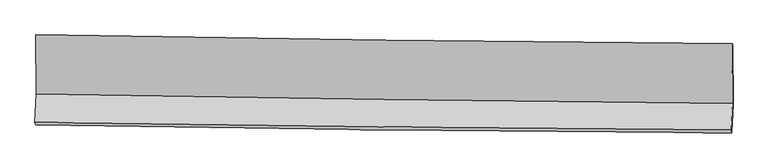
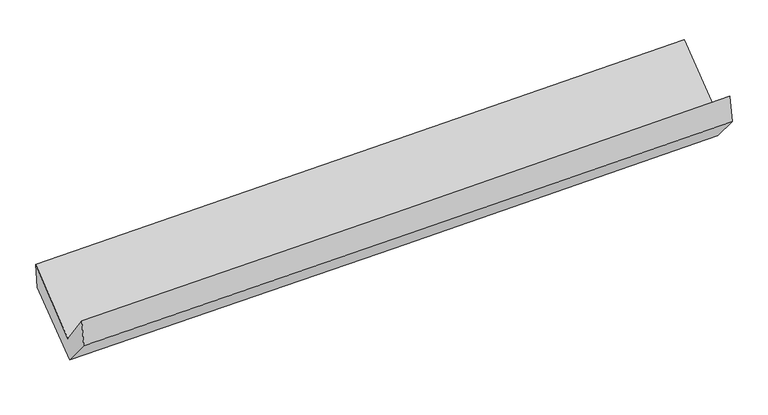
"""IFC4 building model written with IfcOpenShell, lengths in millimetres: proxy geometry."""

import ifcopenshell
import ifcopenshell.guid

model = None  # the IFC model being written
_history = None  # IfcOwnerHistory: only IFC2X3 demands one
_inside = {}  # id of a spatial element -> (the spatial element, [elements in it])
_under = {}  # id of a project, library or spatial element -> (it, [spatial elements below it])
_declared = {}  # id of a project -> (the project, [libraries it declares])
_typed = {}  # id of a type object -> (the type object, [elements of that type])
_made_of = {}  # id of a material, layer set ... -> (it, [elements and type objects made of it])


def new_model(schema):
    """Start an empty IFC model of exactly this schema.

    Asked for "IFC4X3", IfcOpenShell would pick the latest addendum, in which some entities
    have other attributes; the version numbers below select the first issue.
    IFC2X3 requires an IfcOwnerHistory on every rooted entity: one is made here for all.
    """
    global model, _history
    if schema == "IFC4X3":
        model = ifcopenshell.file(schema_version=(4, 3, 0, 0))
    else:
        model = ifcopenshell.file(schema=schema)
    _inside.clear()
    _under.clear()
    _declared.clear()
    _typed.clear()
    _made_of.clear()
    _history = None
    if model.schema == "IFC2X3":
        org = make("IfcOrganization", Name="unknown")
        user = make(
            "IfcPersonAndOrganization",
            ThePerson=make("IfcPerson", FamilyName="unknown"),
            TheOrganization=org,
        )
        app = make(
            "IfcApplication",
            ApplicationDeveloper=org,
            Version="unknown",
            ApplicationFullName="unknown",
            ApplicationIdentifier="unknown",
        )
        _history = make(
            "IfcOwnerHistory",
            OwningUser=user,
            OwningApplication=app,
            ChangeAction="ADDED",
            CreationDate=0,
        )
    return model


def make(cls, **values):
    """One entity of the class cls with the attributes given. An attribute that is None is left unset."""
    return model.create_entity(
        cls, **{name: value for name, value in values.items() if value is not None}
    )


def rooted(cls, **values):
    """An entity with a GlobalId (a new one), such as an element, a storey or a relation."""
    return make(cls, GlobalId=ifcopenshell.guid.new(), OwnerHistory=_history, **values)


def si_unit(unit_type, name, prefix=None):
    """IfcSIUnit, for example si_unit("LENGTHUNIT", "METRE", prefix="MILLI")."""
    return make("IfcSIUnit", UnitType=unit_type, Prefix=prefix, Name=name)


def assignment(units):
    """IfcUnitAssignment: the units of a project."""
    return None if units is None else make("IfcUnitAssignment", Units=units)


def point(xyz):
    """IfcCartesianPoint."""
    return None if xyz is None else make("IfcCartesianPoint", Coordinates=xyz)


def direction(xyz):
    """IfcDirection."""
    return None if xyz is None else make("IfcDirection", DirectionRatios=xyz)


def frame(location, z_axis=None, x_axis=None):
    """IfcAxis2Placement3D, a coordinate frame: its origin and axes. An axis left out is left unset."""
    return make(
        "IfcAxis2Placement3D",
        Location=point(location),
        Axis=direction(z_axis),
        RefDirection=direction(x_axis),
    )


def origin():
    """The frame at (0, 0, 0) with its axes left unset."""
    return frame((0.0, 0.0, 0.0))


def place(relative_to, where):
    """IfcLocalPlacement: puts the frame where relative to a parent placement (None: the world)."""
    return make(
        "IfcLocalPlacement", PlacementRelTo=relative_to, RelativePlacement=where
    )


def context(
    kind, dimensions, precision=None, world=None, true_north=None, identifier=None
):
    """IfcGeometricRepresentationContext, for example the 3D "Model" context."""
    return make(
        "IfcGeometricRepresentationContext",
        ContextIdentifier=identifier,
        ContextType=kind,
        CoordinateSpaceDimension=dimensions,
        Precision=precision,
        WorldCoordinateSystem=world,
        TrueNorth=true_north,
    )


def project(units=None, contexts=None):
    """IfcProject with its units and contexts."""
    return rooted(
        "IfcProject",
        Name="project",
        RepresentationContexts=contexts,
        UnitsInContext=assignment(units),
    )


def spatial(cls, under=None, at=None, **own):
    """A site, building, storey or space (cls), placed at a placement, below another one or the project."""
    s = rooted(cls, ObjectPlacement=at, **own)
    if under is not None:
        _under.setdefault(under.id(), (under, []))[1].append(s)
    return s


def shape(context_of_items, identifier, shape_type, items):
    """IfcShapeRepresentation: the items that make up one representation, for example the "Body"."""
    return make(
        "IfcShapeRepresentation",
        ContextOfItems=context_of_items,
        RepresentationIdentifier=identifier,
        RepresentationType=shape_type,
        Items=items,
    )


def source(mapping_origin, context_of_items, identifier, shape_type, items):
    """IfcRepresentationMap: a shape defined once, which mapped items show again and again."""
    return make(
        "IfcRepresentationMap",
        MappingOrigin=mapping_origin,
        MappedRepresentation=shape(context_of_items, identifier, shape_type, items),
    )


def transform(
    local_origin,
    x_axis=None,
    y_axis=None,
    z_axis=None,
    scale=None,
    scale2=None,
    scale3=None,
    uniform=True,
):
    """IfcCartesianTransformationOperator3D, or its non-uniform kind. x_axis, y_axis, z_axis: its Axis1, 2, 3."""
    if uniform:
        return make(
            "IfcCartesianTransformationOperator3D",
            Axis1=direction(x_axis),
            Axis2=direction(y_axis),
            LocalOrigin=point(local_origin),
            Scale=scale,
            Axis3=direction(z_axis),
        )
    return make(
        "IfcCartesianTransformationOperator3DnonUniform",
        Axis1=direction(x_axis),
        Axis2=direction(y_axis),
        LocalOrigin=point(local_origin),
        Scale=scale,
        Axis3=direction(z_axis),
        Scale2=scale2,
        Scale3=scale3,
    )


def mapped(mapping_source, mapping_target):
    """IfcMappedItem: shows the shape of a source again, moved by a transform."""
    return make(
        "IfcMappedItem", MappingSource=mapping_source, MappingTarget=mapping_target
    )


def made_of(thing, what):
    """Note that an element or type object is made of a material, layer set ...; save() writes the relation."""
    if what is not None:
        _made_of.setdefault(what.id(), (what, []))[1].append(thing)
    return thing


def element(
    cls,
    number,
    at=None,
    inside=None,
    cuts=None,
    type_object=None,
    material=None,
    context=None,
    identifier="Body",
    shape_type=None,
    held_by="IfcProductDefinitionShape",
    body=None,
    shapes=None,
    **own,
):
    """One element of the class cls, such as IfcWall. Its Tag is "e" and its number.

    at: its placement. inside: the storey or other place that contains it. cuts: it is an
    opening in that element (IfcRelVoidsElement). A single representation is given by context,
    identifier, shape_type and body (its items); several are given by shapes. held_by: the class
    of the entity that holds the representations. save() writes the other relations.
    """
    e = rooted(cls, Tag="e%d" % number, ObjectPlacement=at, **own)
    if body is not None:
        shapes = [shape(context, identifier, shape_type, body)]
    if shapes is not None:
        e.Representation = make(held_by, Representations=shapes)
    if inside is not None:
        _inside.setdefault(inside.id(), (inside, []))[1].append(e)
    if cuts is not None:
        rooted(
            "IfcRelVoidsElement", RelatingBuildingElement=cuts, RelatedOpeningElement=e
        )
    if type_object is not None:
        _typed.setdefault(type_object.id(), (type_object, []))[1].append(e)
    return made_of(e, material)


def aggregate(whole, parts):
    """IfcRelAggregates: a whole, such as a stair, and the parts it consists of."""
    return rooted("IfcRelAggregates", RelatingObject=whole, RelatedObjects=parts)


def save(model, path):
    """Write the relations noted so far, then the file.

    IfcRelAggregates (storeys below a building ...), IfcRelContainedInSpatialStructure (elements
    in a storey), IfcRelDefinesByType, IfcRelAssociatesMaterial and IfcRelDeclares: one each for
    every whole, place, type object, material and project.
    """
    for whole, parts in _under.values():
        aggregate(whole, parts)
    for where, things in _inside.values():
        rooted(
            "IfcRelContainedInSpatialStructure",
            RelatedElements=things,
            RelatingStructure=where,
        )
    for kind, things in _typed.values():
        rooted("IfcRelDefinesByType", RelatedObjects=things, RelatingType=kind)
    for what, things in _made_of.values():
        rooted("IfcRelAssociatesMaterial", RelatedObjects=things, RelatingMaterial=what)
    for by, libraries in _declared.values():
        rooted("IfcRelDeclares", RelatingContext=by, RelatedDefinitions=libraries)
    model.write(path)


def plane_surface(at):
    """IfcPlane: the flat surface through the origin of the frame at, square to its z axis."""
    return make("IfcPlane", Position=at)


def spline_curve(degree, points, multiplicities, knots, weights=None):
    """IfcBSplineCurveWithKnots; with weights, IfcRationalBSplineCurveWithKnots."""
    own = dict(
        Degree=degree,
        ControlPointsList=[point(p) for p in points],
        CurveForm="UNSPECIFIED",
        ClosedCurve=False,
        SelfIntersect=False,
        KnotMultiplicities=multiplicities,
        Knots=knots,
        KnotSpec="UNSPECIFIED",
    )
    if weights is None:
        return make("IfcBSplineCurveWithKnots", **own)
    return make("IfcRationalBSplineCurveWithKnots", WeightsData=weights, **own)


def spline_surface(u_degree, v_degree, points, u_multiplicities, v_multiplicities, u_knots, v_knots, weights=None):
    """IfcBSplineSurfaceWithKnots; with weights, IfcRationalBSplineSurfaceWithKnots. points: one row for each step in u."""
    own = dict(
        UDegree=u_degree,
        VDegree=v_degree,
        ControlPointsList=[[point(p) for p in row] for row in points],
        SurfaceForm="UNSPECIFIED",
        UClosed=False,
        VClosed=False,
        SelfIntersect=False,
        UMultiplicities=u_multiplicities,
        VMultiplicities=v_multiplicities,
        UKnots=u_knots,
        VKnots=v_knots,
        KnotSpec="UNSPECIFIED",
    )
    if weights is None:
        return make("IfcBSplineSurfaceWithKnots", **own)
    return make("IfcRationalBSplineSurfaceWithKnots", WeightsData=weights, **own)


def advanced_brep(points, edges, surfaces, faces):
    """IfcAdvancedBrep: a solid bounded by faces that lie on surfaces and meet in shared edges.

    An edge is (start, end): straight between two places in points (the first is 0);
    or (start, end, curve); or (start, end, curve, False) where it runs against its curve.
    A face is (place in surfaces, loops), or (place, loops, False) where it looks against
    its surface's normal. A loop lists edges by number (the first is 1), with a minus sign
    where the edge is run from its end to its start. The first loop is the outer one.
    """
    corners = [point(p) for p in points]
    vertices = [make("IfcVertexPoint", VertexGeometry=c) for c in corners]
    made = []
    for start, end, *more in edges:
        made.append(
            make(
                "IfcEdgeCurve",
                EdgeStart=vertices[start],
                EdgeEnd=vertices[end],
                EdgeGeometry=more[0] if more else make("IfcPolyline", Points=[corners[start], corners[end]]),
                SameSense=more[1] if len(more) > 1 else True,
            )
        )
    hull = []
    for where, loops, *sense in faces:
        bounds = []
        for j, loop in enumerate(loops):
            ring = [make("IfcOrientedEdge", EdgeElement=made[abs(k) - 1], Orientation=k > 0) for k in loop]
            bounds.append(
                make(
                    "IfcFaceOuterBound" if j == 0 else "IfcFaceBound",
                    Bound=make("IfcEdgeLoop", EdgeList=ring),
                    Orientation=True,
                )
            )
        hull.append(make("IfcAdvancedFace", Bounds=bounds, FaceSurface=surfaces[where], SameSense=sense[0] if sense else True))
    return make("IfcAdvancedBrep", Outer=make("IfcClosedShell", CfsFaces=hull))


def generic_models_86ede552(model_context):
    return source(origin(), model_context, "Body", "AdvancedBrep", [
        advanced_brep(
        [(-3029.4808975, -1177.0731592, 2171.7789517), (-3025.1557266, -1692.636247, 1743.7694475), (3015.0400919, -1772.6919307, 1916.1093417), (3011.0500791, -1253.8297797, 2331.6310881), (-3035.8866553, -1939.5431534, 2076.0479516), (3004.8917634, -2005.6323464, 2230.6163489), (-3030.4149156, -1959.6333609, 1836.8176547), (3010.3386099, -2030.5876859, 1990.1045914), (-3020.6421814, -1712.9021064, 1544.6663672), (3020.1107944, -1783.8703086, 1697.9697359), (-3024.5940119, -1199.0052038, 1956.2117806), (3016.8582657, -1266.3044465, 2081.922746)],
        [
            (0, 1),
            (1, 2, spline_curve(3, [(-3025.1557266, -1692.636247, 1743.7694475), (-2018.452491167, -1710.150845932, 1770.383612822), (-1011.751823974, -1725.579446939, 1798.052334612), (1001.646781956, -1752.264684783, 1855.49896111), (2008.344721085, -1763.521311683, 1885.276870521), (3015.0400919, -1772.6919307, 1916.1093417)], [4, 2, 4], [0.0, 9.913333425694185, 19.826690569591893])),
            (2, 3),
            (3, 0, spline_curve(3, [(3011.0500791, -1253.8297797, 2331.6310881), (2004.188073673, -1246.421266194, 2306.949042134), (997.378887341, -1236.320613751, 2281.286990682), (-1016.131438026, -1210.735060656, 2228.00294086), (-2022.832577308, -1195.250173019, 2200.380946571), (-3029.4808975, -1177.0731592, 2171.7789517)], [4, 2, 4], [0.0, 9.913357143897708, 19.826690569591893])),
            (1, 4),
            (4, 5, spline_curve(3, [(-3035.8866553, -1939.5431534, 2076.0479516), (-2029.071153729, -1954.183974771, 2099.324810289), (-1022.265803702, -1967.01181405, 2123.843922801), (991.327002715, -1989.041553704, 2175.366715834), (1998.114458933, -1998.243445714, 2202.370402664), (3004.8917634, -2005.6323464, 2230.6163489)], [4, 2, 4], [0.0, 9.913300303349343, 19.826624324822962])),
            (5, 2),
            (4, 6),
            (6, 7, spline_curve(3, [(-3030.4149156, -1959.6333609, 1836.8176547), (-2023.718107628, -1976.678824224, 1863.925850715), (-1016.974178733, -1991.114412315, 1890.253845749), (996.610329537, -2014.765866779, 1941.349495176), (2003.450909046, -2023.981720136, 1966.117145687), (3010.3386099, -2030.5876859, 1990.1045914)], [4, 2, 4], [0.0, 9.913263478028155, 19.826550674092477])),
            (7, 5),
            (6, 8),
            (8, 9, spline_curve(3, [(-3020.6421814, -1712.9021064, 1544.6663672), (-2013.774904366, -1725.643756234, 1566.678473039), (-1006.945786735, -1737.928591208, 1590.459789504), (1006.638538538, -1761.584660891, 1641.560904027), (2013.393746343, -1772.955892919, 1668.88071049), (3020.1107944, -1783.8703086, 1697.9697359)], [4, 2, 4], [0.0, 9.913248908475333, 19.82652153495198])),
            (9, 7),
            (8, 10),
            (10, 11, spline_curve(3, [(-3024.5940119, -1199.0052038, 1956.2117806), (-2017.843252718, -1212.36249496, 1982.81928022), (-1011.014119153, -1224.649405245, 2006.598934492), (1002.803306235, -1247.082491391, 2048.502603437), (2009.791598458, -1257.228661924, 2066.626604085), (3016.8582657, -1266.3044465, 2081.922746)], [4, 2, 4], [0.0, 9.913229156392024, 19.826482030738102])),
            (11, 9),
            (10, 0),
            (3, 11),
        ],
        [
            spline_surface(3, 3, [[(-3029.4808975, -1177.0731592, 2171.7789517), (-2022.832577224, -1195.250173139, 2200.380946639), (-1016.131437987, -1210.735060679, 2228.002940703), (997.378887302, -1236.320613728, 2281.286990839), (2004.188073582, -1246.421266355, 2306.949042282), (3011.0500791, -1253.8297797, 2331.6310881)], [(-3028.03917384, -1348.92752181, 2029.109116947), (-2021.372548535, -1366.883730754, 2057.048501979), (-1014.671566698, -1382.34985609, 2084.686072026), (998.801518887, -1408.301970748, 2139.357647569), (2005.573622775, -1418.787948156, 2166.39165168), (3012.380083384, -1426.783830039, 2193.123839303)], [(-3026.59745026, -1520.78188439, 1886.439282253), (-2019.912519926, -1538.517288339, 1913.716057378), (-1013.211695387, -1553.964651513, 1941.36920336), (1000.224150495, -1580.28332778, 1997.42830431), (2006.959171916, -1591.154629941, 2025.834261069), (3013.710087616, -1599.737880361, 2054.616590497)], [(-3025.1557266, -1692.636247, 1743.7694475), (-2018.452491237, -1710.150845954, 1770.383612718), (-1011.751824098, -1725.579446923, 1798.052334682), (1001.64678208, -1752.2646848, 1855.49896104), (2008.344721109, -1763.521311741, 1885.276870468), (3015.0400919, -1772.6919307, 1916.1093417)]], [4, 4], [4, 2, 4], [0.0, 2.1977270107309907], [0.0, 9.913333425694185, 19.826690569591893]),
            spline_surface(3, 3, [[(-3025.1557266, -1692.636247, 1743.7694475), (-2018.452491237, -1710.150845954, 1770.383612718), (-1011.751824098, -1725.579446923, 1798.052334682), (1001.64678208, -1752.2646848, 1855.49896104), (2008.344721109, -1763.521311741, 1885.276870468), (3015.0400919, -1772.6919307, 1916.1093417)], [(-3028.732702864, -1774.938549138, 1854.528948887), (-2021.992045427, -1791.495222271, 1880.030678626), (-1015.256483928, -1806.056902611, 1906.649530674), (998.206855621, -1831.190307754, 1962.121545964), (2004.934633649, -1841.762023029, 1990.974714538), (3011.657315712, -1850.338735947, 2020.94501078)], [(-3032.309679036, -1857.240851262, 1965.288450213), (-2025.531599524, -1872.839598574, 1989.677744473), (-1018.761143809, -1886.53435835, 2015.246726749), (994.766929111, -1910.115930761, 2068.74413097), (2001.524546253, -1920.002734276, 2096.67255857), (3008.274539588, -1927.985541153, 2125.78067982)], [(-3035.8866553, -1939.5431534, 2076.0479516), (-2029.071153714, -1954.183974891, 2099.324810381), (-1022.265803638, -1967.011814038, 2123.843922742), (991.327002652, -1989.041553716, 2175.366715894), (1998.114458793, -1998.243445563, 2202.37040264), (3004.8917634, -2005.6323464, 2230.6163489)]], [4, 4], [4, 2, 4], [0.0, 1.3184671376015127], [0.0, 9.913300303349343, 19.826624324822962]),
            spline_surface(3, 3, [[(-3035.8866553, -1939.5431534, 2076.0479516), (-2029.071153714, -1954.183974891, 2099.324810381), (-1022.265803638, -1967.011814038, 2123.843922742), (991.327002652, -1989.041553716, 2175.366715894), (1998.114458793, -1998.243445563, 2202.37040264), (3004.8917634, -2005.6323464, 2230.6163489)], [(-3034.062742044, -1946.239889232, 1996.304519287), (-2027.286804983, -1961.682258013, 2020.858490496), (-1020.50192867, -1975.046013516, 2045.980563793), (993.088111618, -1997.616324686, 2097.360975665), (1999.893275609, -2006.822870397, 2123.61931697), (3006.707378922, -2013.950792893, 2150.44576307)], [(-3032.238828856, -1952.936625068, 1916.561087013), (-2025.50245632, -1969.180541138, 1942.39217065), (-1018.738053708, -1983.080212992, 1968.117204754), (994.849220578, -2006.191095653, 2019.355235348), (2001.67209236, -2015.402295251, 2044.868231289), (3008.522994378, -2022.269239407, 2070.27517723)], [(-3030.4149156, -1959.6333609, 1836.8176547), (-2023.718107589, -1976.67882426, 1863.925850765), (-1016.97417874, -1991.114412471, 1890.253845805), (996.610329543, -2014.765866623, 1941.349495119), (2003.450909177, -2023.981720085, 1966.117145618), (3010.3386099, -2030.5876859, 1990.1045914)]], [4, 4], [4, 2, 4], [0.0, 0.7716099104373748], [0.0, 9.913263478028155, 19.826550674092477]),
            spline_surface(3, 3, [[(-3030.4149156, -1959.6333609, 1836.8176547), (-2023.718107589, -1976.67882426, 1863.925850765), (-1016.97417874, -1991.114412471, 1890.253845805), (996.610329543, -2014.765866623, 1941.349495119), (2003.450909177, -2023.981720085, 1966.117145618), (3010.3386099, -2030.5876859, 1990.1045914)], [(-3027.157337554, -1877.389609377, 1739.433892216), (-2020.403706549, -1893.000468186, 1764.843391586), (-1013.631381436, -1906.719138742, 1790.322493705), (999.95306591, -1930.372131382, 1841.419964721), (2006.765188206, -1940.306444419, 1867.038333911), (3013.596004725, -1948.348560141, 1892.726306224)], [(-3023.899759446, -1795.145857923, 1642.050129684), (-2017.089305445, -1809.322112181, 1665.76093236), (-1010.288584137, -1822.323864971, 1690.391141655), (1003.29580227, -1845.978396098, 1741.490434375), (2010.079467262, -1856.63116873, 1767.959522234), (3016.853399575, -1866.109434359, 1795.348021076)], [(-3020.6421814, -1712.9021064, 1544.6663672), (-2013.774904404, -1725.643756107, 1566.678473181), (-1006.945786833, -1737.928591243, 1590.459789555), (1006.638538637, -1761.584660857, 1641.560903976), (2013.393746291, -1772.955893064, 1668.880710527), (3020.1107944, -1783.8703086, 1697.9697359)]], [4, 4], [4, 2, 4], [0.0, 1.287817616083343], [0.0, 9.913248908475333, 19.82652153495198]),
            spline_surface(3, 3, [[(-3020.6421814, -1712.9021064, 1544.6663672), (-2013.774904404, -1725.643756107, 1566.678473181), (-1006.945786833, -1737.928591243, 1590.459789555), (1006.638538637, -1761.584660857, 1641.560903976), (2013.393746291, -1772.955893064, 1668.880710527), (3020.1107944, -1783.8703086, 1697.9697359)], [(-3021.959458216, -1541.603138866, 1681.848171664), (-2015.131020539, -1554.550002393, 1705.392075514), (-1008.301897649, -1566.835529263, 1729.172837924), (1005.36012783, -1590.083937687, 1777.208137086), (2012.193030361, -1601.046815992, 1801.462675008), (3019.026618169, -1611.348354561, 1825.954072586)], [(-3023.276735084, -1370.304171334, 1819.029976136), (-2016.487136727, -1383.45624868, 1844.105677855), (-1009.658008392, -1395.742467275, 1867.885886274), (1004.081717096, -1418.58321451, 1912.855370175), (2010.992314422, -1429.137738937, 1934.04463953), (3017.942441931, -1438.826400539, 1953.938409314)], [(-3024.5940119, -1199.0052038, 1956.2117806), (-2017.843252862, -1212.362494966, 1982.819280189), (-1011.014119207, -1224.649405295, 2006.598934643), (1002.80330629, -1247.082491341, 2048.502603285), (2009.791598491, -1257.228661865, 2066.62660401), (3016.8582657, -1266.3044465, 2081.922746)]], [4, 4], [4, 2, 4], [0.0, 2.1600406966090944], [0.0, 9.913229156392024, 19.826482030738102]),
            spline_surface(3, 3, [[(-3024.5940119, -1199.0052038, 1956.2117806), (-2017.843252862, -1212.362494966, 1982.819280189), (-1011.014119207, -1224.649405295, 2006.598934643), (1002.80330629, -1247.082491341, 2048.502603285), (2009.791598491, -1257.228661865, 2066.62660401), (3016.8582657, -1266.3044465, 2081.922746)], [(-3026.222973781, -1191.694522276, 2028.0675043), (-2019.506360997, -1206.6583877, 2055.339835672), (-1012.719892123, -1220.011290427, 2080.400270008), (1000.995166638, -1243.495198806, 2126.097399148), (2007.923756843, -1253.62619668, 2146.734083438), (3014.922203488, -1262.146224218, 2165.158860037)], [(-3027.851935619, -1184.383840724, 2099.923228), (-2021.169469089, -1200.954280406, 2127.860391156), (-1014.425665071, -1215.373175548, 2154.201605338), (999.187026954, -1239.907906262, 2203.692194976), (2006.05591523, -1250.02373154, 2226.841562854), (3012.986141312, -1257.988001982, 2248.394974063)], [(-3029.4808975, -1177.0731592, 2171.7789517), (-2022.832577224, -1195.250173139, 2200.380946639), (-1016.131437987, -1210.735060679, 2228.002940703), (997.378887302, -1236.320613728, 2281.286990839), (2004.188073582, -1246.421266355, 2306.949042282), (3011.0500791, -1253.8297797, 2331.6310881)]], [4, 4], [4, 2, 4], [0.0, 0.746358925916585], [0.0, 9.913264329620382, 19.826552377278972]),
            plane_surface(frame((3013.0482674, -1685.486083, 2041.3923087), z_axis=(0.9996513686474738, -0.011389179990906405, 0.02382074180976101), x_axis=(-0.005047049930417788, 0.8031230453112771, 0.5957918272156312))),
            plane_surface(frame((-3027.6957314, -1613.4655384, 1888.2153589), z_axis=(-0.9996513686475018, 0.011389179990068634, -0.023820741808989552), x_axis=(0.02254773570180807, -0.10119286197800985, -0.9946112830143347))),
        ],
        [
            (0, [[1, 2, 3, 4]]),
            (1, [[5, 6, 7, -2]]),
            (2, [[8, 9, 10, -6]]),
            (3, [[11, 12, 13, -9]]),
            (4, [[14, 15, 16, -12]]),
            (5, [[17, -4, 18, -15]]),
            (6, [[-16, -18, -3, -7, -10, -13]]),
            (7, [[-17, -14, -11, -8, -5, -1]]),
        ],
    ),
    ])


if __name__ == "__main__":
    model = new_model("IFC4")
    model_context = context("Model", 3, world=origin())
    ifc_project = project(units=[si_unit("LENGTHUNIT", "METRE", prefix="MILLI")], contexts=[model_context])
    site = spatial("IfcSite", under=ifc_project)
    building = spatial("IfcBuilding", under=site)
    placement = place(None, origin())
    generic_models_shape = generic_models_86ede552(model_context)
    element("IfcBuildingElementProxy", 1, Name="Generic Models", at=placement, inside=building, context=model_context, shape_type="MappedRepresentation", body=[
        mapped(generic_models_shape, transform((0.0, 0.0, 0.0), x_axis=(1.0, 0.0, 0.0), y_axis=(0.0, 1.0, 0.0), z_axis=(0.0, 0.0, 1.0))),
    ])
    save(model, "model.ifc")
